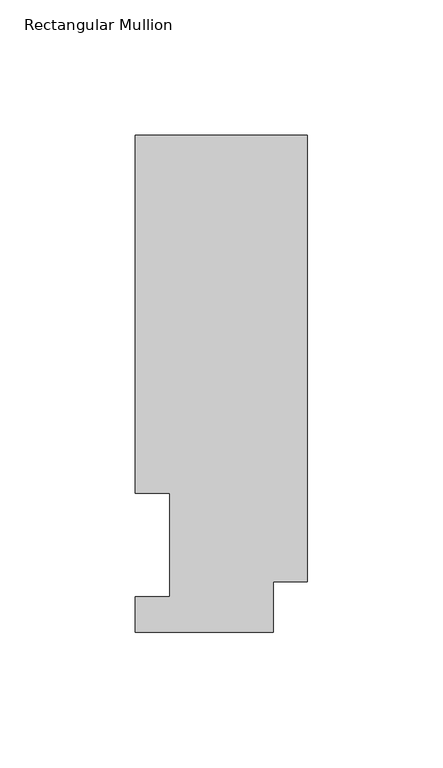
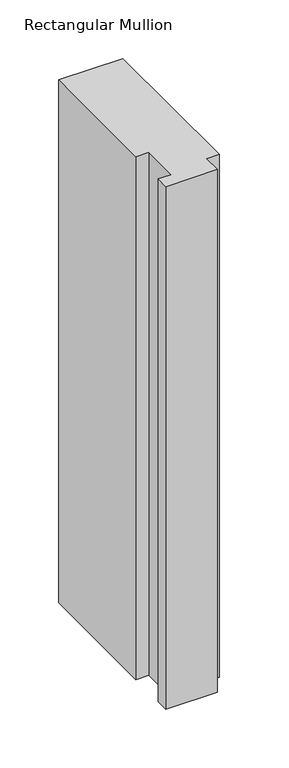
"""IFC4 building model written with IfcOpenShell, lengths in millimetres: member geometry, Rectangular Mullion."""

import ifcopenshell
import ifcopenshell.guid

model = None  # the IFC model being written
_history = None  # IfcOwnerHistory: only IFC2X3 demands one
_inside = {}  # id of a spatial element -> (the spatial element, [elements in it])
_under = {}  # id of a project, library or spatial element -> (it, [spatial elements below it])
_declared = {}  # id of a project -> (the project, [libraries it declares])
_typed = {}  # id of a type object -> (the type object, [elements of that type])
_made_of = {}  # id of a material, layer set ... -> (it, [elements and type objects made of it])


def new_model(schema):
    """Start an empty IFC model of exactly this schema.

    Asked for "IFC4X3", IfcOpenShell would pick the latest addendum, in which some entities
    have other attributes; the version numbers below select the first issue.
    IFC2X3 requires an IfcOwnerHistory on every rooted entity: one is made here for all.
    """
    global model, _history
    if schema == "IFC4X3":
        model = ifcopenshell.file(schema_version=(4, 3, 0, 0))
    else:
        model = ifcopenshell.file(schema=schema)
    _inside.clear()
    _under.clear()
    _declared.clear()
    _typed.clear()
    _made_of.clear()
    _history = None
    if model.schema == "IFC2X3":
        org = make("IfcOrganization", Name="unknown")
        user = make(
            "IfcPersonAndOrganization",
            ThePerson=make("IfcPerson", FamilyName="unknown"),
            TheOrganization=org,
        )
        app = make(
            "IfcApplication",
            ApplicationDeveloper=org,
            Version="unknown",
            ApplicationFullName="unknown",
            ApplicationIdentifier="unknown",
        )
        _history = make(
            "IfcOwnerHistory",
            OwningUser=user,
            OwningApplication=app,
            ChangeAction="ADDED",
            CreationDate=0,
        )
    return model


def make(cls, **values):
    """One entity of the class cls with the attributes given. An attribute that is None is left unset."""
    return model.create_entity(
        cls, **{name: value for name, value in values.items() if value is not None}
    )


def rooted(cls, **values):
    """An entity with a GlobalId (a new one), such as an element, a storey or a relation."""
    return make(cls, GlobalId=ifcopenshell.guid.new(), OwnerHistory=_history, **values)


def si_unit(unit_type, name, prefix=None):
    """IfcSIUnit, for example si_unit("LENGTHUNIT", "METRE", prefix="MILLI")."""
    return make("IfcSIUnit", UnitType=unit_type, Prefix=prefix, Name=name)


def assignment(units):
    """IfcUnitAssignment: the units of a project."""
    return None if units is None else make("IfcUnitAssignment", Units=units)


def point(xyz):
    """IfcCartesianPoint."""
    return None if xyz is None else make("IfcCartesianPoint", Coordinates=xyz)


def direction(xyz):
    """IfcDirection."""
    return None if xyz is None else make("IfcDirection", DirectionRatios=xyz)


def frame(location, z_axis=None, x_axis=None):
    """IfcAxis2Placement3D, a coordinate frame: its origin and axes. An axis left out is left unset."""
    return make(
        "IfcAxis2Placement3D",
        Location=point(location),
        Axis=direction(z_axis),
        RefDirection=direction(x_axis),
    )


def origin():
    """The frame at (0, 0, 0) with its axes left unset."""
    return frame((0.0, 0.0, 0.0))


def place(relative_to, where):
    """IfcLocalPlacement: puts the frame where relative to a parent placement (None: the world)."""
    return make(
        "IfcLocalPlacement", PlacementRelTo=relative_to, RelativePlacement=where
    )


def context(
    kind, dimensions, precision=None, world=None, true_north=None, identifier=None
):
    """IfcGeometricRepresentationContext, for example the 3D "Model" context."""
    return make(
        "IfcGeometricRepresentationContext",
        ContextIdentifier=identifier,
        ContextType=kind,
        CoordinateSpaceDimension=dimensions,
        Precision=precision,
        WorldCoordinateSystem=world,
        TrueNorth=true_north,
    )


def project(units=None, contexts=None):
    """IfcProject with its units and contexts."""
    return rooted(
        "IfcProject",
        Name="project",
        RepresentationContexts=contexts,
        UnitsInContext=assignment(units),
    )


def spatial(cls, under=None, at=None, **own):
    """A site, building, storey or space (cls), placed at a placement, below another one or the project."""
    s = rooted(cls, ObjectPlacement=at, **own)
    if under is not None:
        _under.setdefault(under.id(), (under, []))[1].append(s)
    return s


def polyline(points):
    """IfcPolyline through the points."""
    return make("IfcPolyline", Points=[point(p) for p in points])


def outline(outer, holes=None, kind="AREA"):
    """IfcArbitraryClosedProfileDef: a profile drawn as a closed curve; with holes, ...WithVoids."""
    if holes is None:
        return make("IfcArbitraryClosedProfileDef", ProfileType=kind, OuterCurve=outer)
    return make(
        "IfcArbitraryProfileDefWithVoids",
        ProfileType=kind,
        OuterCurve=outer,
        InnerCurves=holes,
    )


def extrude(swept, where, along, depth):
    """IfcExtrudedAreaSolid: the profile swept, set in the frame where, extruded along a direction by depth."""
    return make(
        "IfcExtrudedAreaSolid",
        SweptArea=swept,
        Position=where,
        ExtrudedDirection=direction(along),
        Depth=depth,
    )


def shape(context_of_items, identifier, shape_type, items):
    """IfcShapeRepresentation: the items that make up one representation, for example the "Body"."""
    return make(
        "IfcShapeRepresentation",
        ContextOfItems=context_of_items,
        RepresentationIdentifier=identifier,
        RepresentationType=shape_type,
        Items=items,
    )


def source(mapping_origin, context_of_items, identifier, shape_type, items):
    """IfcRepresentationMap: a shape defined once, which mapped items show again and again."""
    return make(
        "IfcRepresentationMap",
        MappingOrigin=mapping_origin,
        MappedRepresentation=shape(context_of_items, identifier, shape_type, items),
    )


def transform(
    local_origin,
    x_axis=None,
    y_axis=None,
    z_axis=None,
    scale=None,
    scale2=None,
    scale3=None,
    uniform=True,
):
    """IfcCartesianTransformationOperator3D, or its non-uniform kind. x_axis, y_axis, z_axis: its Axis1, 2, 3."""
    if uniform:
        return make(
            "IfcCartesianTransformationOperator3D",
            Axis1=direction(x_axis),
            Axis2=direction(y_axis),
            LocalOrigin=point(local_origin),
            Scale=scale,
            Axis3=direction(z_axis),
        )
    return make(
        "IfcCartesianTransformationOperator3DnonUniform",
        Axis1=direction(x_axis),
        Axis2=direction(y_axis),
        LocalOrigin=point(local_origin),
        Scale=scale,
        Axis3=direction(z_axis),
        Scale2=scale2,
        Scale3=scale3,
    )


def mapped(mapping_source, mapping_target):
    """IfcMappedItem: shows the shape of a source again, moved by a transform."""
    return make(
        "IfcMappedItem", MappingSource=mapping_source, MappingTarget=mapping_target
    )


def made_of(thing, what):
    """Note that an element or type object is made of a material, layer set ...; save() writes the relation."""
    if what is not None:
        _made_of.setdefault(what.id(), (what, []))[1].append(thing)
    return thing


def element(
    cls,
    number,
    at=None,
    inside=None,
    cuts=None,
    type_object=None,
    material=None,
    context=None,
    identifier="Body",
    shape_type=None,
    held_by="IfcProductDefinitionShape",
    body=None,
    shapes=None,
    **own,
):
    """One element of the class cls, such as IfcWall. Its Tag is "e" and its number.

    at: its placement. inside: the storey or other place that contains it. cuts: it is an
    opening in that element (IfcRelVoidsElement). A single representation is given by context,
    identifier, shape_type and body (its items); several are given by shapes. held_by: the class
    of the entity that holds the representations. save() writes the other relations.
    """
    e = rooted(cls, Tag="e%d" % number, ObjectPlacement=at, **own)
    if body is not None:
        shapes = [shape(context, identifier, shape_type, body)]
    if shapes is not None:
        e.Representation = make(held_by, Representations=shapes)
    if inside is not None:
        _inside.setdefault(inside.id(), (inside, []))[1].append(e)
    if cuts is not None:
        rooted(
            "IfcRelVoidsElement", RelatingBuildingElement=cuts, RelatedOpeningElement=e
        )
    if type_object is not None:
        _typed.setdefault(type_object.id(), (type_object, []))[1].append(e)
    return made_of(e, material)


def aggregate(whole, parts):
    """IfcRelAggregates: a whole, such as a stair, and the parts it consists of."""
    return rooted("IfcRelAggregates", RelatingObject=whole, RelatedObjects=parts)


def save(model, path):
    """Write the relations noted so far, then the file.

    IfcRelAggregates (storeys below a building ...), IfcRelContainedInSpatialStructure (elements
    in a storey), IfcRelDefinesByType, IfcRelAssociatesMaterial and IfcRelDeclares: one each for
    every whole, place, type object, material and project.
    """
    for whole, parts in _under.values():
        aggregate(whole, parts)
    for where, things in _inside.values():
        rooted(
            "IfcRelContainedInSpatialStructure",
            RelatedElements=things,
            RelatingStructure=where,
        )
    for kind, things in _typed.values():
        rooted("IfcRelDefinesByType", RelatedObjects=things, RelatingType=kind)
    for what, things in _made_of.values():
        rooted("IfcRelAssociatesMaterial", RelatedObjects=things, RelatingMaterial=what)
    for by, libraries in _declared.values():
        rooted("IfcRelDeclares", RelatingContext=by, RelatedDefinitions=libraries)
    model.write(path)


def rectangular_mullion_dbb16df0(model_context):
    return source(origin(), model_context, "Body", "SweptSolid", [
        extrude(outline(polyline([(0.0, 18.7332937), (-12.7, 18.7332937), (-12.7, 0.0134937), (-63.5, 0.0134937), (-63.5, 13.1960938), (-50.8, 13.1960938), (-50.8, 51.2960937), (-63.5, 51.2960937), (-63.5, 183.4446737), (0.0, 183.4446737), (0.0, 18.7332937)])), frame((0.0, 0.0, -545.3093556), z_axis=(0.0, 0.0, 1.0), x_axis=(1.0, 0.0, 0.0)), (0.0, 0.0, 1.0), 545.3093556),
    ])


if __name__ == "__main__":
    model = new_model("IFC4")
    model_context = context("Model", 3, world=origin())
    ifc_project = project(units=[si_unit("LENGTHUNIT", "METRE", prefix="MILLI")], contexts=[model_context])
    site = spatial("IfcSite", under=ifc_project)
    building = spatial("IfcBuilding", under=site)
    placement = place(None, origin())
    rectangular_mullion_shape = rectangular_mullion_dbb16df0(model_context)
    element("IfcMember", 1, ObjectType="Rectangular Mullion", at=placement, inside=building, context=model_context, shape_type="MappedRepresentation", body=[
        mapped(rectangular_mullion_shape, transform((0.0, 0.0, 0.0), x_axis=(1.0, 0.0, 0.0), y_axis=(0.0, 1.0, 0.0), z_axis=(0.0, 0.0, 1.0))),
    ])
    save(model, "model.ifc")
